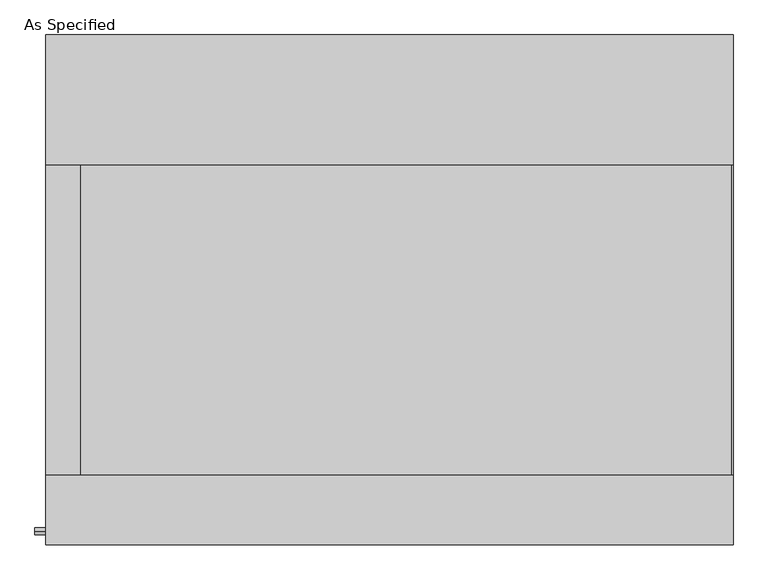
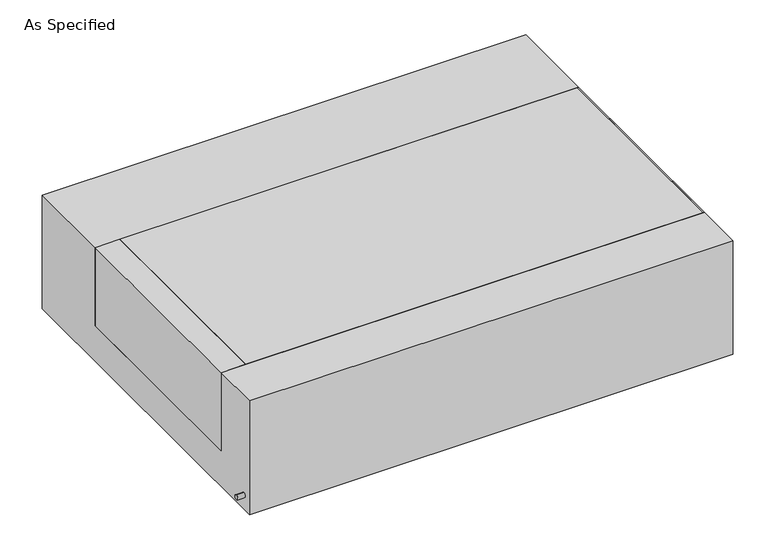
"""IFC4 building model written with IfcOpenShell, lengths in millimetres: proxy geometry, As Specified."""

from ifc_helpers import new_model, si_unit, point, frame, frame_2d, origin, place, context, project, spatial, polyline, circle_curve, trimmed, segment, composite_curve, outline, extrude, source, transform, mapped, element, save


def as_specified_8a19eb33(model_context):
    return source(origin(), model_context, "Body", "SweptSolid", [
        extrude(outline(composite_curve([segment(trimmed(circle_curve(frame_2d((-712.7875, -466.725)), 10.5), [point((-712.7875, -456.225))], [point((-712.7875, -477.225))], False, "CARTESIAN"), True, "CONTINUOUS"), segment(trimmed(circle_curve(frame_2d((-712.7875, -466.725)), 10.5), [point((-712.7875, -477.225))], [point((-712.7875, -456.225))], False, "CARTESIAN"), True, "CONTINUOUS")], self_intersect=False)), frame((-1046.2528384, 0.0, 0.0), z_axis=(1.0, 0.0, 0.0), x_axis=(0.0, 1.0, 0.0)), (0.0, 0.0, 1.0), 31.8403384),
        extrude(outline(polyline([(-912.01875, 368.3), (-912.01875, -546.1), (-1014.4125, -546.1), (-1014.4125, 368.3), (-912.01875, 368.3)])), frame((0.0, 0.0, -373.0625), z_axis=(0.0, 0.0, 1.0), x_axis=(1.0, 0.0, 0.0)), (0.0, 0.0, 1.0), 347.6625),
        extrude(outline(polyline([(1010.44375, 368.3), (1014.4125, 368.3), (1014.4125, -546.1), (1010.44375, -546.1), (1010.44375, 368.3)])), frame((0.0, 0.0, -39.6875), z_axis=(0.0, 0.0, 1.0), x_axis=(1.0, 0.0, 0.0)), (0.0, 0.0, 1.0), 14.2875),
        extrude(outline(polyline([(1014.4125, 368.3), (1014.4125, -546.1), (-912.01875, -546.1), (-912.01875, 368.3), (1014.4125, 368.3)])), frame((0.0, 0.0, -373.0625), z_axis=(0.0, 0.0, 1.0), x_axis=(1.0, 0.0, 0.0)), (0.0, 0.0, 1.0), 347.6625),
        extrude(outline(polyline([(752.475, -25.4), (752.475, -530.225), (-752.475, -530.225), (-752.475, -25.4), (-546.1, -25.4), (-546.1, -373.0625), (368.3, -373.0625), (368.3, -25.4), (752.475, -25.4)])), frame((-1014.4125, 0.0, 0.0), z_axis=(1.0, 0.0, 0.0), x_axis=(0.0, 1.0, 0.0)), (0.0, 0.0, 1.0), 2028.825),
    ])


if __name__ == "__main__":
    model = new_model("IFC4")
    model_context = context("Model", 3, world=origin())
    ifc_project = project(units=[si_unit("LENGTHUNIT", "METRE", prefix="MILLI")], contexts=[model_context])
    site = spatial("IfcSite", under=ifc_project)
    building = spatial("IfcBuilding", under=site)
    placement = place(None, origin())
    as_specified_shape = as_specified_8a19eb33(model_context)
    element("IfcBuildingElementProxy", 1, Name="As Specified", ObjectType="As Specified", at=placement, inside=building, context=model_context, shape_type="MappedRepresentation", body=[
        mapped(as_specified_shape, transform((0.0, 0.0, 0.0), x_axis=(1.0, 0.0, 0.0), y_axis=(0.0, 1.0, 0.0), z_axis=(0.0, 0.0, 1.0))),
    ])
    save(model, "model.ifc")
